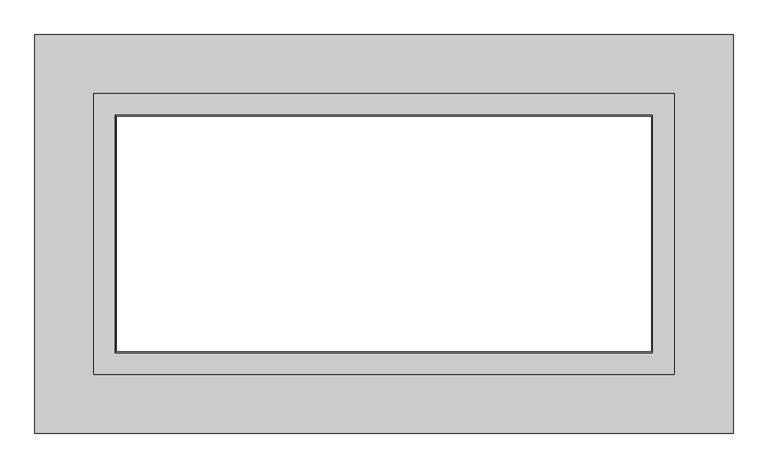
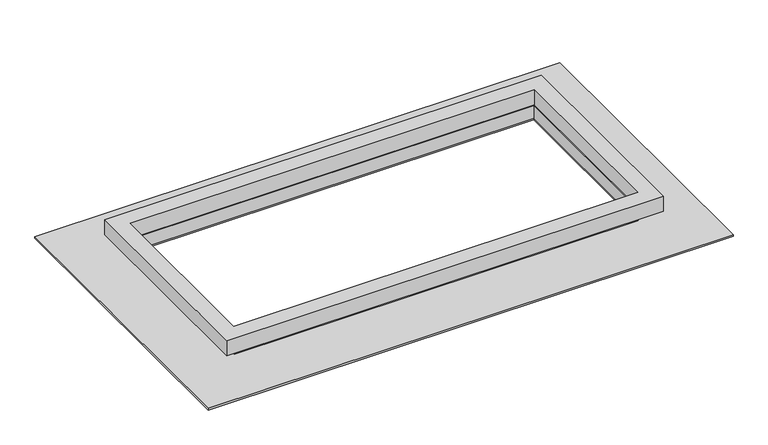
"""IFC4 building model written with IfcOpenShell, lengths in millimetres: proxy geometry."""

from ifc_helpers import new_model, si_unit, frame, origin, origin_with_axes, place, context, project, spatial, polyline, outline, extrude, source, transform, mapped, element, save


def generic_models_361ddf4a(model_context):
    return source(origin(), model_context, "Body", "SweptSolid", [
        extrude(outline(polyline([(519.9126, 251.4981), (519.9126, -251.4981), (-519.9126, -251.4981), (-519.9126, 251.4981), (519.9126, 251.4981)]), holes=[polyline([(-481.584, 213.1695), (-481.584, -213.1695), (480.949, -213.1695), (480.949, 213.1695), (-481.584, 213.1695)])]), frame((0.0, 0.0, 35.56), z_axis=(0.0, 0.0, 1.0), x_axis=(1.0, 0.0, 0.0)), (0.0, 0.0, 1.0), 38.1),
        extrude(outline(polyline([(480.949, 215.4809), (480.949, -215.4809), (-480.949, -215.4809), (-480.949, 215.4809), (480.949, 215.4809)]), holes=[polyline([(-478.69475, 210.2866), (-478.69475, -210.2866), (478.69475, -210.2866), (478.69475, 210.2866), (-478.69475, 210.2866)])]), frame((0.0, 0.0, 3.81), z_axis=(0.0, 0.0, 1.0), x_axis=(1.0, 0.0, 0.0)), (0.0, 0.0, 1.0), 31.75),
        extrude(outline(polyline([(625.475, 357.124), (625.475, -357.124), (-625.475, -357.124), (-625.475, 357.124), (625.475, 357.124)]), holes=[polyline([(-478.69475, 210.2866), (-478.69475, -210.2866), (478.69475, -210.2866), (478.69475, 210.2866), (-478.69475, 210.2866)])]), origin_with_axes(), (0.0, 0.0, 1.0), 3.81),
    ])


if __name__ == "__main__":
    model = new_model("IFC4")
    model_context = context("Model", 3, world=origin())
    ifc_project = project(units=[si_unit("LENGTHUNIT", "METRE", prefix="MILLI")], contexts=[model_context])
    site = spatial("IfcSite", under=ifc_project)
    building = spatial("IfcBuilding", under=site)
    placement = place(None, origin())
    generic_models_shape = generic_models_361ddf4a(model_context)
    element("IfcBuildingElementProxy", 1, Name="Generic Models", at=placement, inside=building, context=model_context, shape_type="MappedRepresentation", body=[
        mapped(generic_models_shape, transform((0.0, 0.0, 0.0), x_axis=(1.0, 0.0, 0.0), y_axis=(0.0, 1.0, 0.0), z_axis=(0.0, 0.0, 1.0))),
    ])
    save(model, "model.ifc")
